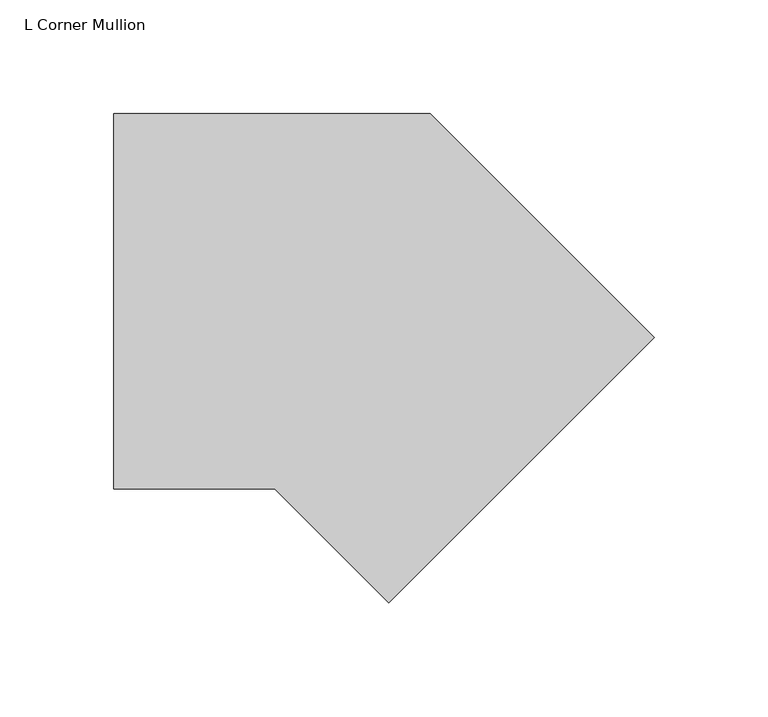
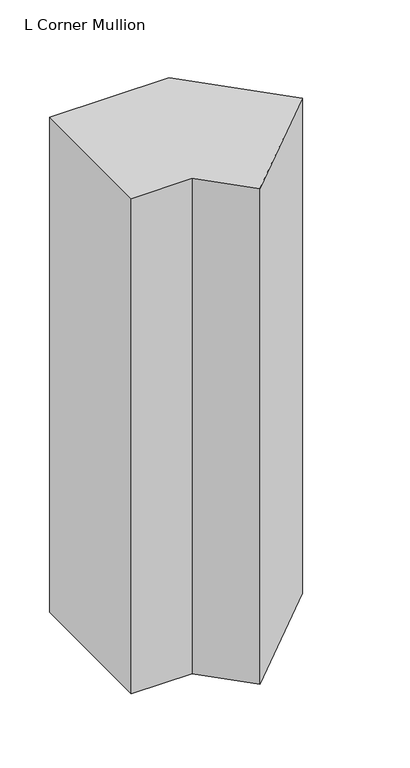
"""IFC4 building model written with IfcOpenShell, lengths in millimetres: member geometry, L Corner Mullion."""

from ifc_helpers import new_model, si_unit, frame, origin, place, context, project, spatial, polyline, outline, extrude, source, transform, mapped, element, save


def l_corner_mullion_a8fb7205(model_context):
    return source(origin(), model_context, "Body", "SweptSolid", [
        extrude(outline(polyline([(44.8587403, -62.8192525), (-5.2605122, -12.7), (-76.1398389, -12.7), (-76.1398389, 152.4), (63.1261469, 152.4), (161.6020699, 53.924077), (44.8587403, -62.8192525)])), frame((0.0, 0.0, -609.6), z_axis=(0.0, 0.0, 1.0), x_axis=(1.0, 0.0, 0.0)), (0.0, 0.0, 1.0), 609.6),
    ])


if __name__ == "__main__":
    model = new_model("IFC4")
    model_context = context("Model", 3, world=origin())
    ifc_project = project(units=[si_unit("LENGTHUNIT", "METRE", prefix="MILLI")], contexts=[model_context])
    site = spatial("IfcSite", under=ifc_project)
    building = spatial("IfcBuilding", under=site)
    placement = place(None, origin())
    l_corner_mullion_shape = l_corner_mullion_a8fb7205(model_context)
    element("IfcMember", 1, ObjectType="L Corner Mullion", at=placement, inside=building, context=model_context, shape_type="MappedRepresentation", body=[
        mapped(l_corner_mullion_shape, transform((0.0, 0.0, 0.0), x_axis=(1.0, 0.0, 0.0), y_axis=(0.0, 1.0, 0.0), z_axis=(0.0, 0.0, 1.0))),
    ])
    save(model, "model.ifc")
